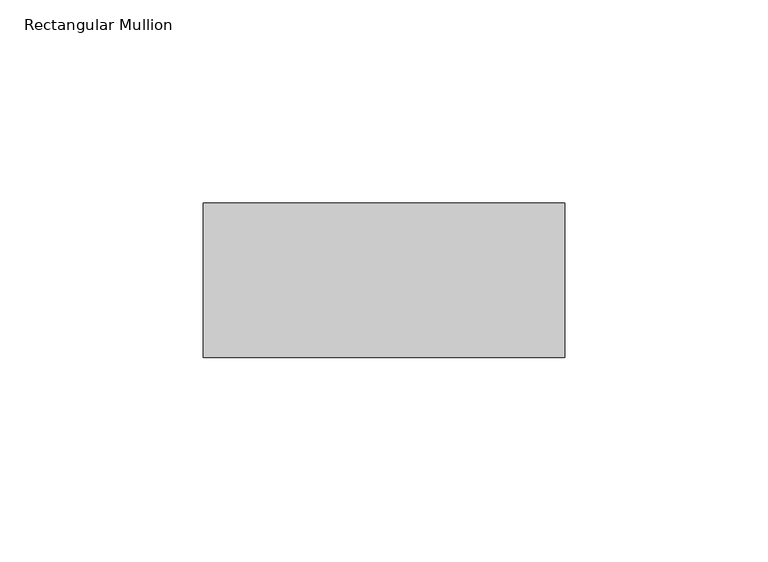
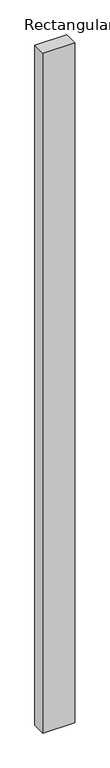
"""IFC4 building model written with IfcOpenShell, lengths in millimetres: member geometry, Rectangular Mullion."""

from ifc_helpers import new_model, si_unit, frame, origin, place, context, project, spatial, polyline, outline, extrude, source, transform, mapped, element, save


def rectangular_mullion_1d3a1927(model_context):
    return source(origin(), model_context, "Body", "SweptSolid", [
        extrude(outline(polyline([(44.5, 48.0), (44.5, 10.0), (-44.5, 10.0), (-44.5, 48.0), (44.5, 48.0)])), frame((0.0, 0.0, -2009.1863097), z_axis=(0.0, 0.0, 1.0), x_axis=(1.0, 0.0, 0.0)), (0.0, 0.0, 1.0), 2009.1863097),
    ])


if __name__ == "__main__":
    model = new_model("IFC4")
    model_context = context("Model", 3, world=origin())
    ifc_project = project(units=[si_unit("LENGTHUNIT", "METRE", prefix="MILLI")], contexts=[model_context])
    site = spatial("IfcSite", under=ifc_project)
    building = spatial("IfcBuilding", under=site)
    placement = place(None, origin())
    rectangular_mullion_shape = rectangular_mullion_1d3a1927(model_context)
    element("IfcMember", 1, ObjectType="Rectangular Mullion", at=placement, inside=building, context=model_context, shape_type="MappedRepresentation", body=[
        mapped(rectangular_mullion_shape, transform((0.0, 0.0, 0.0), x_axis=(1.0, 0.0, 0.0), y_axis=(0.0, 1.0, 0.0), z_axis=(0.0, 0.0, 1.0))),
    ])
    save(model, "model.ifc")
